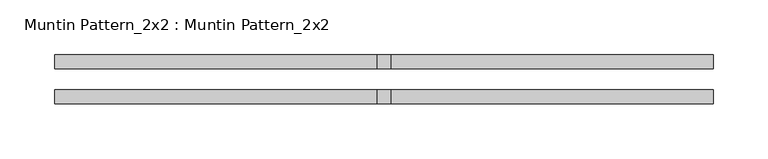
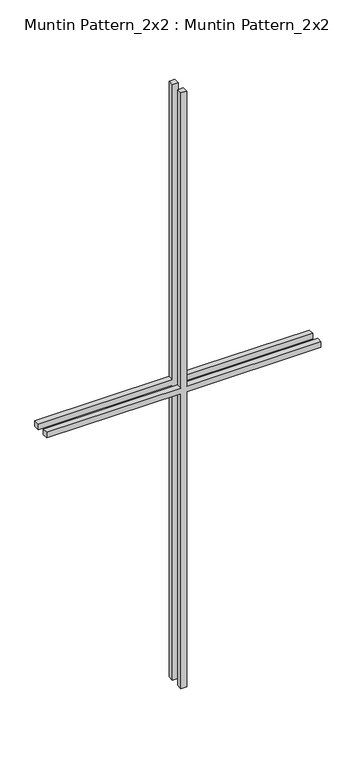
"""IFC4 building model written with IfcOpenShell, lengths in millimetres: proxy geometry, Muntin Pattern_2x2 : Muntin Pattern_2x2."""

from ifc_helpers import new_model, si_unit, frame, origin, place, context, project, spatial, polyline, outline, extrude, source, transform, mapped, element, save


def muntin_pattern_2x2_muntin_pattern_2x2_3a6e08b5(model_context):
    return source(origin(), model_context, "Body", "SweptSolid", [
        extrude(outline(polyline([(695.325, -6.35), (695.325, -300.0375), (682.625, -300.0375), (682.625, -6.35), (0.0, -6.35), (0.0, 6.35), (682.625, 6.35), (682.625, 300.0375), (695.325, 300.0375), (695.325, 6.35), (1377.95, 6.35), (1377.95, -6.35), (695.325, -6.35)])), frame((0.0, 9.525, 0.0), z_axis=(0.0, 1.0, 0.0), x_axis=(0.0, 0.0, 1.0)), (0.0, 0.0, 1.0), 12.7),
        extrude(outline(polyline([(695.325, -6.35), (695.325, -300.0375), (682.625, -300.0375), (682.625, -6.35), (0.0, -6.35), (0.0, 6.35), (682.625, 6.35), (682.625, 300.0375), (695.325, 300.0375), (695.325, 6.35), (1377.95, 6.35), (1377.95, -6.35), (695.325, -6.35)])), frame((0.0, -22.225, 0.0), z_axis=(0.0, 1.0, 0.0), x_axis=(0.0, 0.0, 1.0)), (0.0, 0.0, 1.0), 12.7),
    ])


if __name__ == "__main__":
    model = new_model("IFC4")
    model_context = context("Model", 3, world=origin())
    ifc_project = project(units=[si_unit("LENGTHUNIT", "METRE", prefix="MILLI")], contexts=[model_context])
    site = spatial("IfcSite", under=ifc_project)
    building = spatial("IfcBuilding", under=site)
    placement = place(None, origin())
    muntin_pattern_2x2_muntin_pattern_2x2_shape = muntin_pattern_2x2_muntin_pattern_2x2_3a6e08b5(model_context)
    element("IfcBuildingElementProxy", 1, Name="Muntin Pattern_2x2 : Muntin Pattern_2x2", ObjectType="Muntin Pattern_2x2 : Muntin Pattern_2x2", at=placement, inside=building, context=model_context, shape_type="MappedRepresentation", body=[
        mapped(muntin_pattern_2x2_muntin_pattern_2x2_shape, transform((0.0, 0.0, 0.0), x_axis=(1.0, 0.0, 0.0), y_axis=(0.0, 1.0, 0.0), z_axis=(0.0, 0.0, 1.0))),
    ])
    save(model, "model.ifc")
